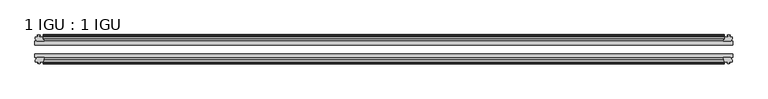
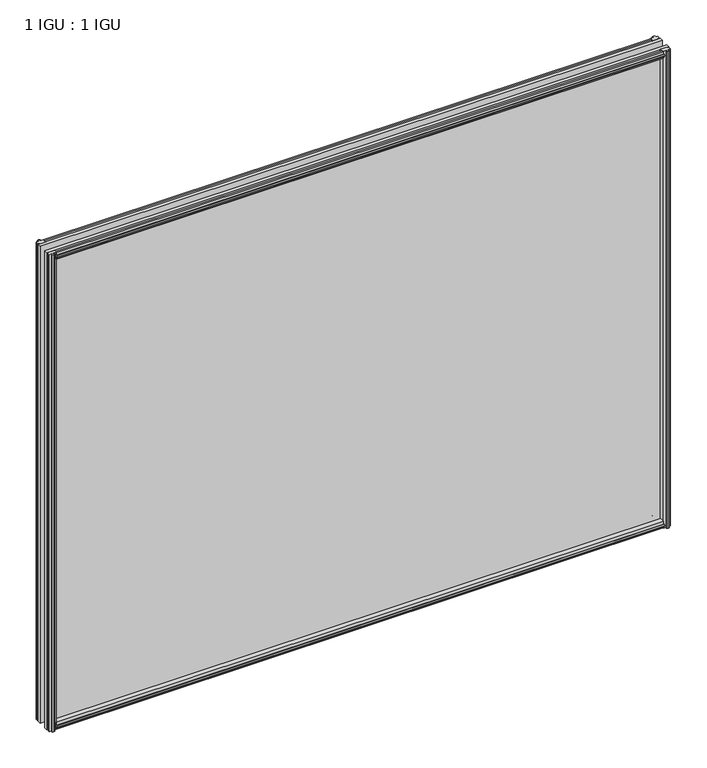
"""IFC4 building model written with IfcOpenShell, lengths in millimetres: plate geometry, 1 IGU : 1 IGU."""

from ifc_helpers import new_model, si_unit, frame, origin, place, context, project, spatial, polyline, outline, extrude, source, transform, mapped, element, save


def plate_1_igu_1_igu_6cadc6ec(model_context):
    return source(origin(), model_context, "Body", "SweptSolid", [
        extrude(outline(polyline([(-25.8960937, 1.1970181), (-19.5460937, -0.5207), (-19.5460937, -5.7277), (-17.1658968, -6.1087), (-17.62583, -4.6931709), (-16.8246158, -4.6931709), (-16.1170937, -6.8707), (-16.8246158, -9.0482291), (-17.62583, -9.0482291), (-17.1658968, -7.6327), (-19.5460937, -8.0137), (-19.5460937, -12.4587), (-22.4924937, -12.4587), (-25.8960937, -9.6243578), (-25.8960937, 1.1970181)])), frame((-520.2369235, 0.0, 0.0), z_axis=(1.0, 0.0, 0.0), x_axis=(0.0, 1.0, 0.0)), (0.0, 0.0, 1.0), 1040.4738469),
        extrude(outline(polyline([(-51.2960937, 1.7177181), (-51.2960937, -9.1036578), (-54.6996937, -11.938), (-57.6460937, -11.938), (-57.6460937, -7.493), (-60.0262907, -7.112), (-59.5663575, -8.5275291), (-60.3675717, -8.5275291), (-61.0750937, -6.35), (-60.3675717, -4.1724709), (-59.5663575, -4.1724709), (-60.0262907, -5.588), (-57.6460937, -5.207), (-57.6460937, 0.0), (-51.2960937, 1.7177181)])), frame((-520.2369235, 0.0, 0.0), z_axis=(1.0, 0.0, 0.0), x_axis=(0.0, 1.0, 0.0)), (0.0, 0.0, 1.0), 1040.4738469),
        extrude(outline(polyline([(-57.6460937, 850.138), (-54.6996937, 850.138), (-51.2960937, 847.3036578), (-51.2960937, 836.4822819), (-57.6460937, 838.2), (-57.6460937, 843.407), (-60.0262907, 843.788), (-59.5663575, 842.3724709), (-60.3675717, 842.3724709), (-61.0750937, 844.55), (-60.3675717, 846.727529), (-59.5663575, 846.727529), (-60.0262907, 845.312), (-57.6460937, 845.693), (-57.6460937, 850.138)])), frame((-520.2369235, 0.0, 0.0), z_axis=(1.0, 0.0, 0.0), x_axis=(0.0, 1.0, 0.0)), (0.0, 0.0, 1.0), 1040.4738469),
        extrude(outline(polyline([(-19.5460937, 850.6587), (-19.5460937, 846.2137), (-17.1658968, 845.8327), (-17.62583, 847.248229), (-16.8246158, 847.248229), (-16.1170937, 845.0707), (-16.8246158, 842.8931709), (-17.62583, 842.8931709), (-17.1658968, 844.3087), (-19.5460937, 843.9277), (-19.5460937, 838.7207), (-25.8960937, 837.0029819), (-25.8960937, 847.8243578), (-22.4924937, 850.6587), (-19.5460937, 850.6587)])), frame((-520.2369235, 0.0, 0.0), z_axis=(1.0, 0.0, 0.0), x_axis=(0.0, 1.0, 0.0)), (0.0, 0.0, 1.0), 1040.4738469),
        extrude(outline(polyline([(-527.1076235, -16.1170937), (-524.9300944, -16.8246158), (-524.9300944, -17.62583), (-526.3456235, -17.1658968), (-525.9646235, -19.5460937), (-520.7576235, -19.5460937), (-519.0399054, -25.8960937), (-529.8612813, -25.8960937), (-532.6956235, -22.4924937), (-532.6956235, -19.5460937), (-528.2506235, -19.5460937), (-527.8696235, -17.1658968), (-529.2851525, -17.62583), (-529.2851525, -16.8246158), (-527.1076235, -16.1170937)])), frame((0.0, 0.0, -12.7), z_axis=(0.0, 0.0, 1.0), x_axis=(1.0, 0.0, 0.0)), (0.0, 0.0, 1.0), 863.6),
        extrude(outline(polyline([(-526.5869235, -61.0750938), (-528.7644525, -60.3675717), (-528.7644525, -59.5663575), (-527.3489235, -60.0262907), (-527.7299235, -57.6460938), (-532.1749235, -57.6460938), (-532.1749235, -54.6996938), (-529.3405813, -51.2960937), (-518.5192054, -51.2960937), (-520.2369235, -57.6460938), (-525.4439235, -57.6460938), (-525.8249235, -60.0262907), (-524.4093944, -59.5663575), (-524.4093944, -60.3675717), (-526.5869235, -61.0750938)])), frame((0.0, 0.0, -12.7), z_axis=(0.0, 0.0, 1.0), x_axis=(1.0, 0.0, 0.0)), (0.0, 0.0, 1.0), 863.6),
        extrude(outline(polyline([(525.9646235, -19.5460937), (526.3456235, -17.1658968), (524.9300944, -17.62583), (524.9300944, -16.8246158), (527.1076235, -16.1170937), (529.2851525, -16.8246158), (529.2851525, -17.62583), (527.8696235, -17.1658968), (528.2506235, -19.5460937), (532.6956235, -19.5460937), (532.6956235, -22.4924937), (529.8612813, -25.8960937), (519.0399054, -25.8960937), (520.7576235, -19.5460937), (525.9646235, -19.5460937)])), frame((0.0, 0.0, -12.7), z_axis=(0.0, 0.0, 1.0), x_axis=(1.0, 0.0, 0.0)), (0.0, 0.0, 1.0), 863.6),
        extrude(outline(polyline([(529.3405813, -51.2960937), (532.1749235, -54.6996937), (532.1749235, -57.6460937), (527.7299235, -57.6460937), (527.3489235, -60.0262907), (528.7644525, -59.5663575), (528.7644525, -60.3675717), (526.5869235, -61.0750937), (524.4093944, -60.3675717), (524.4093944, -59.5663575), (525.8249235, -60.0262907), (525.4439235, -57.6460937), (520.2369235, -57.6460937), (518.5192054, -51.2960937), (529.3405813, -51.2960937)])), frame((0.0, 0.0, -12.7), z_axis=(0.0, 0.0, 1.0), x_axis=(1.0, 0.0, 0.0)), (0.0, 0.0, 1.0), 863.6),
        extrude(outline(polyline([(-532.9369235, -25.8960937), (532.9369235, -25.8960937), (532.9369235, -32.2460937), (-532.9369235, -32.2460937), (-532.9369235, -25.8960937)])), frame((0.0, 0.0, -12.7), z_axis=(0.0, 0.0, 1.0), x_axis=(1.0, 0.0, 0.0)), (0.0, 0.0, 1.0), 863.6),
        extrude(outline(polyline([(532.9369235, -45.2686737), (532.9369235, -51.2960937), (-532.9369235, -51.2960937), (-532.9369235, -45.2686737), (532.9369235, -45.2686737)])), frame((0.0, 0.0, -12.7), z_axis=(0.0, 0.0, 1.0), x_axis=(1.0, 0.0, 0.0)), (0.0, 0.0, 1.0), 863.6),
    ])


if __name__ == "__main__":
    model = new_model("IFC4")
    model_context = context("Model", 3, world=origin())
    ifc_project = project(units=[si_unit("LENGTHUNIT", "METRE", prefix="MILLI")], contexts=[model_context])
    site = spatial("IfcSite", under=ifc_project)
    building = spatial("IfcBuilding", under=site)
    placement = place(None, origin())
    plate_1_igu_1_igu_shape = plate_1_igu_1_igu_6cadc6ec(model_context)
    element("IfcPlate", 1, ObjectType="1 IGU : 1 IGU", at=placement, inside=building, context=model_context, shape_type="MappedRepresentation", body=[
        mapped(plate_1_igu_1_igu_shape, transform((0.0, 0.0, 0.0), x_axis=(1.0, 0.0, 0.0), y_axis=(0.0, 1.0, 0.0), z_axis=(0.0, 0.0, 1.0))),
    ])
    save(model, "model.ifc")
